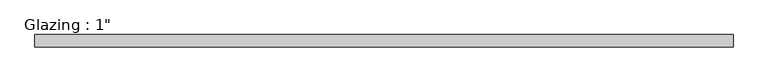
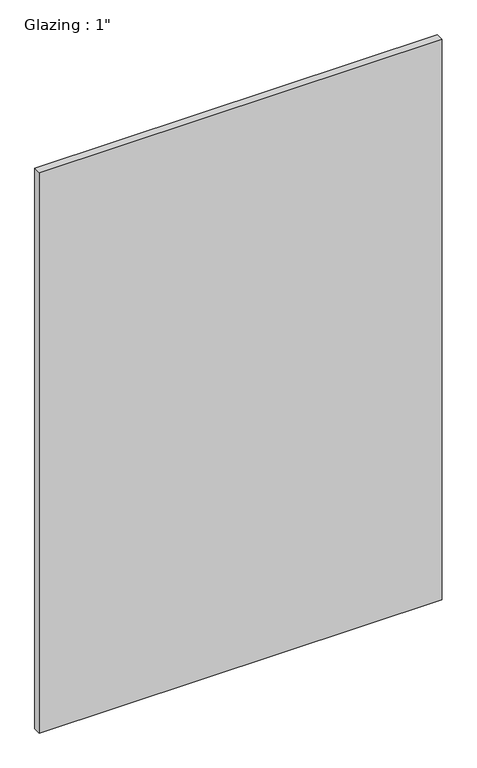
"""IFC4 building model written with IfcOpenShell, lengths in millimetres: plate geometry."""

from ifc_helpers import new_model, si_unit, origin, origin_with_axes, place, context, project, spatial, polyline, outline, extrude, source, transform, mapped, element, save


def plate_95784bc5(model_context):
    return source(origin(), model_context, "Body", "SweptSolid", [
        extrude(outline(polyline([(712.2527053, 12.7), (712.2527053, -12.7), (-712.2527053, -12.7), (-712.2527053, 12.7), (712.2527053, 12.7)])), origin_with_axes(), (0.0, 0.0, 1.0), 2094.5427636),
    ])


if __name__ == "__main__":
    model = new_model("IFC4")
    model_context = context("Model", 3, world=origin())
    ifc_project = project(units=[si_unit("LENGTHUNIT", "METRE", prefix="MILLI")], contexts=[model_context])
    site = spatial("IfcSite", under=ifc_project)
    building = spatial("IfcBuilding", under=site)
    placement = place(None, origin())
    plate_shape = plate_95784bc5(model_context)
    element("IfcPlate", 1, ObjectType="Glazing : 1\"", at=placement, inside=building, context=model_context, shape_type="MappedRepresentation", body=[
        mapped(plate_shape, transform((0.0, 0.0, 0.0), x_axis=(1.0, 0.0, 0.0), y_axis=(0.0, 1.0, 0.0), z_axis=(0.0, 0.0, 1.0))),
    ])
    save(model, "model.ifc")
